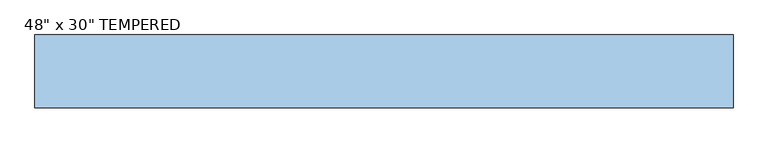
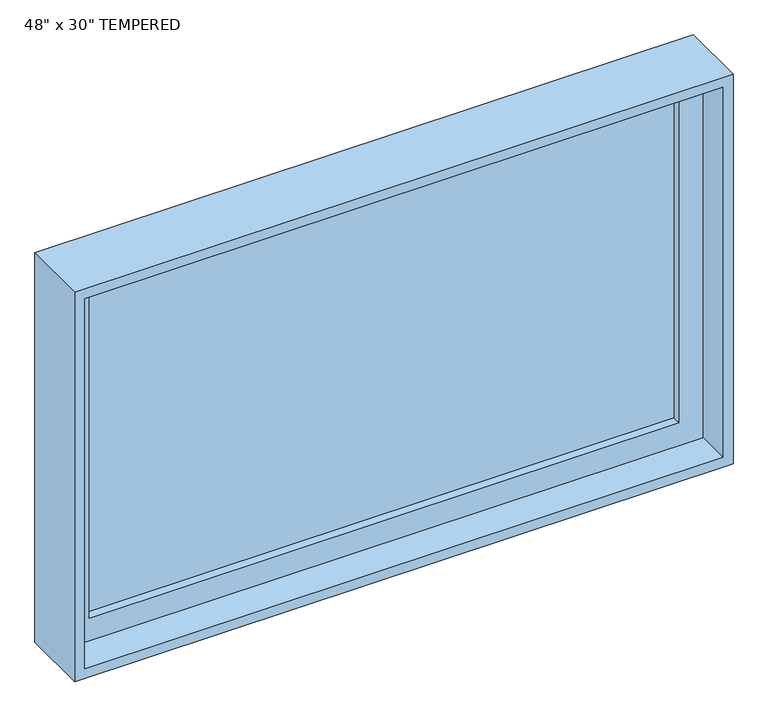
"""IFC4 building model written with IfcOpenShell, lengths in millimetres: window geometry."""

from ifc_helpers import new_model, si_unit, frame, origin, place, context, project, spatial, polyline, outline, extrude, source, transform, mapped, element, save


def window_0999145c(model_context):
    return source(origin(), model_context, "Body", "SweptSolid", [
        extrude(outline(polyline([(1657.35, 590.55), (1657.35, -590.55), (933.45, -590.55), (933.45, 590.55), (1657.35, 590.55)]), holes=[polyline([(1612.9, 546.1), (977.9, 546.1), (977.9, -546.1), (1612.9, -546.1), (1612.9, 546.1)])]), frame((0.0, -30.1625, 0.0), z_axis=(0.0, 1.0, 0.0), x_axis=(0.0, 0.0, 1.0)), (0.0, 0.0, 1.0), 44.45),
        extrude(outline(polyline([(546.1, -14.2875), (-546.1, -14.2875), (-546.1, -1.5875), (546.1, -1.5875), (546.1, -14.2875)])), frame((0.0, 0.0, 977.9), z_axis=(0.0, 0.0, 1.0), x_axis=(1.0, 0.0, 0.0)), (0.0, 0.0, 1.0), 635.0),
        extrude(outline(polyline([(1676.4, -609.6), (914.4, -609.6), (914.4, 609.6), (1676.4, 609.6), (1676.4, -609.6)]), holes=[polyline([(933.45, 590.55), (933.45, -590.55), (1657.35, -590.55), (1657.35, 590.55), (933.45, 590.55)])]), frame((0.0, -93.6625, 0.0), z_axis=(0.0, 1.0, 0.0), x_axis=(0.0, 0.0, 1.0)), (0.0, 0.0, 1.0), 127.0),
    ])


if __name__ == "__main__":
    model = new_model("IFC4")
    model_context = context("Model", 3, world=origin())
    ifc_project = project(units=[si_unit("LENGTHUNIT", "METRE", prefix="MILLI")], contexts=[model_context])
    site = spatial("IfcSite", under=ifc_project)
    building = spatial("IfcBuilding", under=site)
    placement = place(None, origin())
    window_shape = window_0999145c(model_context)
    element("IfcWindow", 1, ObjectType="48\" x 30\" TEMPERED", at=placement, inside=building, context=model_context, shape_type="MappedRepresentation", body=[
        mapped(window_shape, transform((0.0, 0.0, 0.0), x_axis=(1.0, 0.0, 0.0), y_axis=(0.0, 1.0, 0.0), z_axis=(0.0, 0.0, 1.0))),
    ])
    save(model, "model.ifc")
